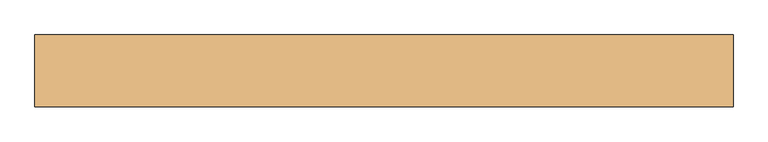
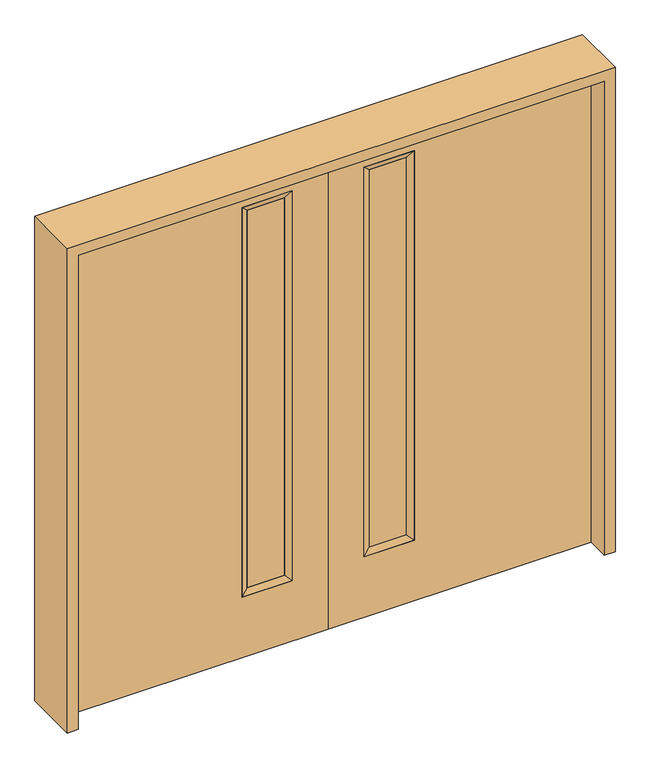
"""IFC4 building model written with IfcOpenShell, lengths in millimetres: door geometry."""

from ifc_helpers import new_model, si_unit, frame, origin, place, context, project, spatial, polyline, outline, extrude, faceted_brep, source, transform, mapped, element, save


def door_ac35ce61(model_context):
    return source(origin(), model_context, "Body", "SolidModel", [
        faceted_brep([(-349.25, 22.225, 1930.4), (-349.25, 22.225, 260.35), (-349.25, -22.225, 260.35), (-349.25, -22.225, 1930.4), (-323.85, -12.7039749, 285.75), (-323.85, -12.7039749, 1905.0), (-146.05, 22.225, 260.35), (-146.05, -22.225, 260.35), (-323.85, 14.2875, 1905.0), (-323.85, 14.2875, 285.75), (-171.45, -12.7039749, 285.75), (-171.45, 14.2875, 285.75), (-146.05, 22.225, 1930.4), (-146.05, -22.225, 1930.4), (-171.45, -12.7039749, 1905.0), (-171.45, 14.2875, 1905.0)], [[[0, 1, 2, 3]], [[3, 2, 4, 5]], [[1, 6, 7, 2]], [[8, 9, 1, 0]], [[5, 4, 9, 8]], [[4, 10, 11, 9]], [[2, 7, 10, 4]], [[6, 12, 13, 7]], [[9, 11, 6, 1]], [[10, 14, 15, 11]], [[7, 13, 14, 10]], [[11, 15, 12, 6]], [[12, 0, 3, 13]], [[14, 5, 8, 15]], [[13, 3, 5, 14]], [[15, 8, 0, 12]]]),
        extrude(outline(polyline([(2032.0, 0.0), (2032.0, -1066.8), (0.0, -1066.8), (0.0, 0.0), (2032.0, 0.0)]), holes=[polyline([(1930.4, -349.25), (1930.4, -146.05), (260.35, -146.05), (260.35, -349.25), (1930.4, -349.25)])]), frame((0.0, -22.225, 0.0), z_axis=(0.0, 1.0, 0.0), x_axis=(0.0, 0.0, 1.0)), (0.0, 0.0, 1.0), 44.45),
        extrude(outline(polyline([(-323.85, -12.7039749), (-323.85, 14.2875), (-171.45, 14.2875), (-171.45, -12.7039749), (-323.85, -12.7039749)])), frame((0.0, 0.0, 285.75), z_axis=(0.0, 0.0, 1.0), x_axis=(1.0, 0.0, 0.0)), (0.0, 0.0, 1.0), 1619.25),
        faceted_brep([(349.25, 22.225, 1930.4), (349.25, -22.225, 1930.4), (349.25, -22.225, 260.35), (349.25, 22.225, 260.35), (323.85, -12.7039749, 1905.0), (323.85, -12.7039749, 285.75), (146.05, -22.225, 260.35), (146.05, 22.225, 260.35), (323.85, 14.2875, 1905.0), (323.85, 14.2875, 285.75), (171.45, 14.2875, 285.75), (171.45, -12.7039749, 285.75), (146.05, -22.225, 1930.4), (146.05, 22.225, 1930.4), (171.45, 14.2875, 1905.0), (171.45, -12.7039749, 1905.0)], [[[0, 1, 2, 3]], [[1, 4, 5, 2]], [[3, 2, 6, 7]], [[8, 0, 3, 9]], [[4, 8, 9, 5]], [[5, 9, 10, 11]], [[2, 5, 11, 6]], [[7, 6, 12, 13]], [[9, 3, 7, 10]], [[11, 10, 14, 15]], [[6, 11, 15, 12]], [[10, 7, 13, 14]], [[13, 12, 1, 0]], [[15, 14, 8, 4]], [[12, 15, 4, 1]], [[14, 13, 0, 8]]]),
        extrude(outline(polyline([(2032.0, 0.0), (0.0, 0.0), (0.0, 1066.8), (2032.0, 1066.8), (2032.0, 0.0)]), holes=[polyline([(1930.4, 349.25), (260.35, 349.25), (260.35, 146.05), (1930.4, 146.05), (1930.4, 349.25)])]), frame((0.0, -22.225, 0.0), z_axis=(0.0, 1.0, 0.0), x_axis=(0.0, 0.0, 1.0)), (0.0, 0.0, 1.0), 44.45),
        extrude(outline(polyline([(323.85, -12.7039749), (171.45, -12.7039749), (171.45, 14.2875), (323.85, 14.2875), (323.85, -12.7039749)])), frame((0.0, 0.0, 285.75), z_axis=(0.0, 0.0, 1.0), x_axis=(1.0, 0.0, 0.0)), (0.0, 0.0, 1.0), 1619.25),
        extrude(outline(polyline([(0.0, 1066.8), (0.0, 1111.25), (2076.45, 1111.25), (2076.45, -1111.25), (0.0, -1111.25), (0.0, -1066.8), (2032.0, -1066.8), (2032.0, 1066.8), (0.0, 1066.8)])), frame((0.0, -114.3, 0.0), z_axis=(0.0, 1.0, 0.0), x_axis=(0.0, 0.0, 1.0)), (0.0, 0.0, 1.0), 228.6),
    ])


if __name__ == "__main__":
    model = new_model("IFC4")
    model_context = context("Model", 3, world=origin())
    ifc_project = project(units=[si_unit("LENGTHUNIT", "METRE", prefix="MILLI")], contexts=[model_context])
    site = spatial("IfcSite", under=ifc_project)
    building = spatial("IfcBuilding", under=site)
    placement = place(None, origin())
    door_shape = door_ac35ce61(model_context)
    element("IfcDoor", 1, at=placement, inside=building, context=model_context, shape_type="MappedRepresentation", body=[
        mapped(door_shape, transform((0.0, 0.0, 0.0), x_axis=(1.0, 0.0, 0.0), y_axis=(0.0, 1.0, 0.0), z_axis=(0.0, 0.0, 1.0))),
    ])
    save(model, "model.ifc")
